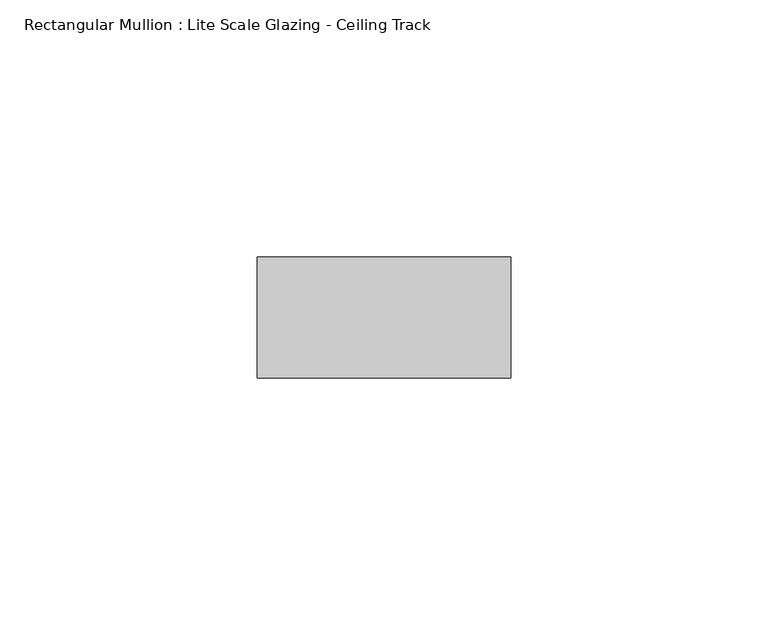
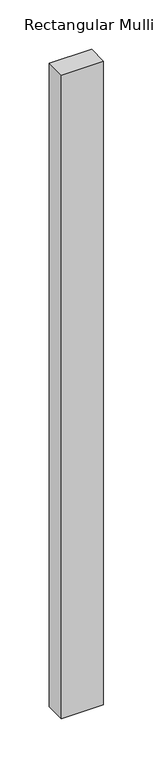
"""IFC4 building model written with IfcOpenShell, lengths in millimetres: member geometry, Rectangular Mullion : Lite Scale Glazing - Ceiling Track."""

from ifc_helpers import new_model, si_unit, frame, origin, place, context, project, spatial, polyline, outline, extrude, source, transform, mapped, element, save


def rectangular_mullion_lite_scale_glazing_ceiling_track_4cc425ba(model_context):
    return source(origin(), model_context, "Body", "SweptSolid", [
        extrude(outline(polyline([(-49.276, -11.7474999), (-49.276, 11.7474999), (0.0, 11.7474999), (0.0, -11.7474999), (-49.276, -11.7474999)])), frame((0.0, 0.0, -793.75), z_axis=(0.0, 0.0, 1.0), x_axis=(1.0, 0.0, 0.0)), (0.0, 0.0, 1.0), 793.75),
    ])


if __name__ == "__main__":
    model = new_model("IFC4")
    model_context = context("Model", 3, world=origin())
    ifc_project = project(units=[si_unit("LENGTHUNIT", "METRE", prefix="MILLI")], contexts=[model_context])
    site = spatial("IfcSite", under=ifc_project)
    building = spatial("IfcBuilding", under=site)
    placement = place(None, origin())
    rectangular_mullion_lite_scale_glazing_ceiling_track_shape = rectangular_mullion_lite_scale_glazing_ceiling_track_4cc425ba(model_context)
    element("IfcMember", 1, ObjectType="Rectangular Mullion : Lite Scale Glazing - Ceiling Track", at=placement, inside=building, context=model_context, shape_type="MappedRepresentation", body=[
        mapped(rectangular_mullion_lite_scale_glazing_ceiling_track_shape, transform((0.0, 0.0, 0.0), x_axis=(1.0, 0.0, 0.0), y_axis=(0.0, 1.0, 0.0), z_axis=(0.0, 0.0, 1.0))),
    ])
    save(model, "model.ifc")
